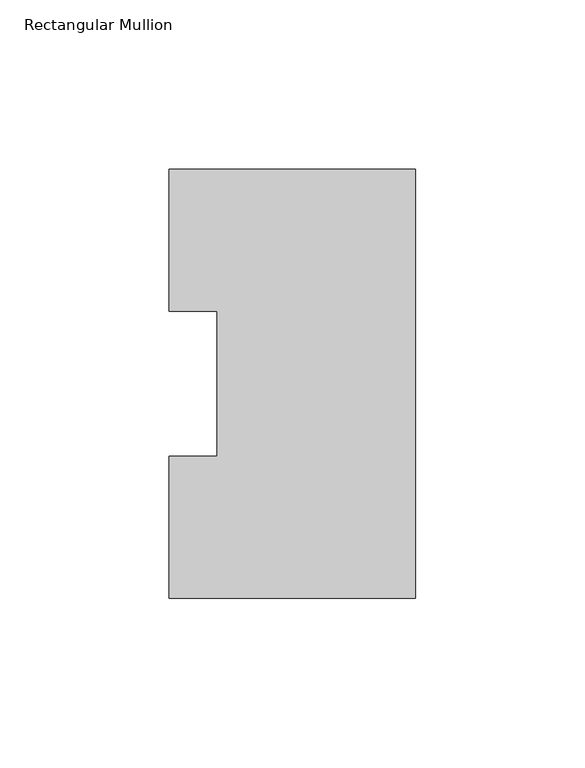
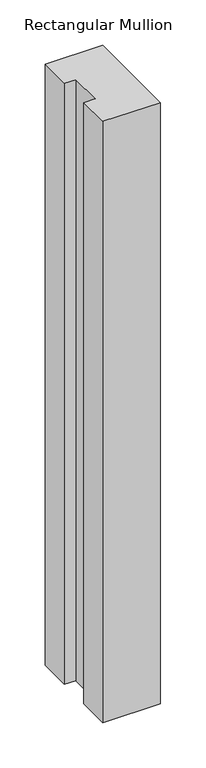
"""IFC4 building model written with IfcOpenShell, lengths in millimetres: member geometry, Rectangular Mullion."""

import ifcopenshell
import ifcopenshell.guid

model = None  # the IFC model being written
_history = None  # IfcOwnerHistory: only IFC2X3 demands one
_inside = {}  # id of a spatial element -> (the spatial element, [elements in it])
_under = {}  # id of a project, library or spatial element -> (it, [spatial elements below it])
_declared = {}  # id of a project -> (the project, [libraries it declares])
_typed = {}  # id of a type object -> (the type object, [elements of that type])
_made_of = {}  # id of a material, layer set ... -> (it, [elements and type objects made of it])


def new_model(schema):
    """Start an empty IFC model of exactly this schema.

    Asked for "IFC4X3", IfcOpenShell would pick the latest addendum, in which some entities
    have other attributes; the version numbers below select the first issue.
    IFC2X3 requires an IfcOwnerHistory on every rooted entity: one is made here for all.
    """
    global model, _history
    if schema == "IFC4X3":
        model = ifcopenshell.file(schema_version=(4, 3, 0, 0))
    else:
        model = ifcopenshell.file(schema=schema)
    _inside.clear()
    _under.clear()
    _declared.clear()
    _typed.clear()
    _made_of.clear()
    _history = None
    if model.schema == "IFC2X3":
        org = make("IfcOrganization", Name="unknown")
        user = make(
            "IfcPersonAndOrganization",
            ThePerson=make("IfcPerson", FamilyName="unknown"),
            TheOrganization=org,
        )
        app = make(
            "IfcApplication",
            ApplicationDeveloper=org,
            Version="unknown",
            ApplicationFullName="unknown",
            ApplicationIdentifier="unknown",
        )
        _history = make(
            "IfcOwnerHistory",
            OwningUser=user,
            OwningApplication=app,
            ChangeAction="ADDED",
            CreationDate=0,
        )
    return model


def make(cls, **values):
    """One entity of the class cls with the attributes given. An attribute that is None is left unset."""
    return model.create_entity(
        cls, **{name: value for name, value in values.items() if value is not None}
    )


def rooted(cls, **values):
    """An entity with a GlobalId (a new one), such as an element, a storey or a relation."""
    return make(cls, GlobalId=ifcopenshell.guid.new(), OwnerHistory=_history, **values)


def si_unit(unit_type, name, prefix=None):
    """IfcSIUnit, for example si_unit("LENGTHUNIT", "METRE", prefix="MILLI")."""
    return make("IfcSIUnit", UnitType=unit_type, Prefix=prefix, Name=name)


def assignment(units):
    """IfcUnitAssignment: the units of a project."""
    return None if units is None else make("IfcUnitAssignment", Units=units)


def point(xyz):
    """IfcCartesianPoint."""
    return None if xyz is None else make("IfcCartesianPoint", Coordinates=xyz)


def direction(xyz):
    """IfcDirection."""
    return None if xyz is None else make("IfcDirection", DirectionRatios=xyz)


def frame(location, z_axis=None, x_axis=None):
    """IfcAxis2Placement3D, a coordinate frame: its origin and axes. An axis left out is left unset."""
    return make(
        "IfcAxis2Placement3D",
        Location=point(location),
        Axis=direction(z_axis),
        RefDirection=direction(x_axis),
    )


def origin():
    """The frame at (0, 0, 0) with its axes left unset."""
    return frame((0.0, 0.0, 0.0))


def place(relative_to, where):
    """IfcLocalPlacement: puts the frame where relative to a parent placement (None: the world)."""
    return make(
        "IfcLocalPlacement", PlacementRelTo=relative_to, RelativePlacement=where
    )


def context(
    kind, dimensions, precision=None, world=None, true_north=None, identifier=None
):
    """IfcGeometricRepresentationContext, for example the 3D "Model" context."""
    return make(
        "IfcGeometricRepresentationContext",
        ContextIdentifier=identifier,
        ContextType=kind,
        CoordinateSpaceDimension=dimensions,
        Precision=precision,
        WorldCoordinateSystem=world,
        TrueNorth=true_north,
    )


def project(units=None, contexts=None):
    """IfcProject with its units and contexts."""
    return rooted(
        "IfcProject",
        Name="project",
        RepresentationContexts=contexts,
        UnitsInContext=assignment(units),
    )


def spatial(cls, under=None, at=None, **own):
    """A site, building, storey or space (cls), placed at a placement, below another one or the project."""
    s = rooted(cls, ObjectPlacement=at, **own)
    if under is not None:
        _under.setdefault(under.id(), (under, []))[1].append(s)
    return s


def polyline(points):
    """IfcPolyline through the points."""
    return make("IfcPolyline", Points=[point(p) for p in points])


def outline(outer, holes=None, kind="AREA"):
    """IfcArbitraryClosedProfileDef: a profile drawn as a closed curve; with holes, ...WithVoids."""
    if holes is None:
        return make("IfcArbitraryClosedProfileDef", ProfileType=kind, OuterCurve=outer)
    return make(
        "IfcArbitraryProfileDefWithVoids",
        ProfileType=kind,
        OuterCurve=outer,
        InnerCurves=holes,
    )


def extrude(swept, where, along, depth):
    """IfcExtrudedAreaSolid: the profile swept, set in the frame where, extruded along a direction by depth."""
    return make(
        "IfcExtrudedAreaSolid",
        SweptArea=swept,
        Position=where,
        ExtrudedDirection=direction(along),
        Depth=depth,
    )


def shape(context_of_items, identifier, shape_type, items):
    """IfcShapeRepresentation: the items that make up one representation, for example the "Body"."""
    return make(
        "IfcShapeRepresentation",
        ContextOfItems=context_of_items,
        RepresentationIdentifier=identifier,
        RepresentationType=shape_type,
        Items=items,
    )


def source(mapping_origin, context_of_items, identifier, shape_type, items):
    """IfcRepresentationMap: a shape defined once, which mapped items show again and again."""
    return make(
        "IfcRepresentationMap",
        MappingOrigin=mapping_origin,
        MappedRepresentation=shape(context_of_items, identifier, shape_type, items),
    )


def transform(
    local_origin,
    x_axis=None,
    y_axis=None,
    z_axis=None,
    scale=None,
    scale2=None,
    scale3=None,
    uniform=True,
):
    """IfcCartesianTransformationOperator3D, or its non-uniform kind. x_axis, y_axis, z_axis: its Axis1, 2, 3."""
    if uniform:
        return make(
            "IfcCartesianTransformationOperator3D",
            Axis1=direction(x_axis),
            Axis2=direction(y_axis),
            LocalOrigin=point(local_origin),
            Scale=scale,
            Axis3=direction(z_axis),
        )
    return make(
        "IfcCartesianTransformationOperator3DnonUniform",
        Axis1=direction(x_axis),
        Axis2=direction(y_axis),
        LocalOrigin=point(local_origin),
        Scale=scale,
        Axis3=direction(z_axis),
        Scale2=scale2,
        Scale3=scale3,
    )


def mapped(mapping_source, mapping_target):
    """IfcMappedItem: shows the shape of a source again, moved by a transform."""
    return make(
        "IfcMappedItem", MappingSource=mapping_source, MappingTarget=mapping_target
    )


def made_of(thing, what):
    """Note that an element or type object is made of a material, layer set ...; save() writes the relation."""
    if what is not None:
        _made_of.setdefault(what.id(), (what, []))[1].append(thing)
    return thing


def element(
    cls,
    number,
    at=None,
    inside=None,
    cuts=None,
    type_object=None,
    material=None,
    context=None,
    identifier="Body",
    shape_type=None,
    held_by="IfcProductDefinitionShape",
    body=None,
    shapes=None,
    **own,
):
    """One element of the class cls, such as IfcWall. Its Tag is "e" and its number.

    at: its placement. inside: the storey or other place that contains it. cuts: it is an
    opening in that element (IfcRelVoidsElement). A single representation is given by context,
    identifier, shape_type and body (its items); several are given by shapes. held_by: the class
    of the entity that holds the representations. save() writes the other relations.
    """
    e = rooted(cls, Tag="e%d" % number, ObjectPlacement=at, **own)
    if body is not None:
        shapes = [shape(context, identifier, shape_type, body)]
    if shapes is not None:
        e.Representation = make(held_by, Representations=shapes)
    if inside is not None:
        _inside.setdefault(inside.id(), (inside, []))[1].append(e)
    if cuts is not None:
        rooted(
            "IfcRelVoidsElement", RelatingBuildingElement=cuts, RelatedOpeningElement=e
        )
    if type_object is not None:
        _typed.setdefault(type_object.id(), (type_object, []))[1].append(e)
    return made_of(e, material)


def aggregate(whole, parts):
    """IfcRelAggregates: a whole, such as a stair, and the parts it consists of."""
    return rooted("IfcRelAggregates", RelatingObject=whole, RelatedObjects=parts)


def save(model, path):
    """Write the relations noted so far, then the file.

    IfcRelAggregates (storeys below a building ...), IfcRelContainedInSpatialStructure (elements
    in a storey), IfcRelDefinesByType, IfcRelAssociatesMaterial and IfcRelDeclares: one each for
    every whole, place, type object, material and project.
    """
    for whole, parts in _under.values():
        aggregate(whole, parts)
    for where, things in _inside.values():
        rooted(
            "IfcRelContainedInSpatialStructure",
            RelatedElements=things,
            RelatingStructure=where,
        )
    for kind, things in _typed.values():
        rooted("IfcRelDefinesByType", RelatedObjects=things, RelatingType=kind)
    for what, things in _made_of.values():
        rooted("IfcRelAssociatesMaterial", RelatedObjects=things, RelatingMaterial=what)
    for by, libraries in _declared.values():
        rooted("IfcRelDeclares", RelatingContext=by, RelatedDefinitions=libraries)
    model.write(path)


def rectangular_mullion_06f930d0(model_context):
    return source(origin(), model_context, "Body", "SweptSolid", [
        extrude(outline(polyline([(0.0, 126.7086937), (0.0, -0.2913063), (-73.025, -0.2913063), (-73.025, 41.7837937), (-58.7375, 41.7837937), (-58.7375, 84.6335938), (-73.025, 84.6335938), (-73.025, 126.7086937), (0.0, 126.7086937)])), frame((0.0, 0.0, -809.6247287), z_axis=(0.0, 0.0, 1.0), x_axis=(1.0, 0.0, 0.0)), (0.0, 0.0, 1.0), 809.6247287),
    ])


if __name__ == "__main__":
    model = new_model("IFC4")
    model_context = context("Model", 3, world=origin())
    ifc_project = project(units=[si_unit("LENGTHUNIT", "METRE", prefix="MILLI")], contexts=[model_context])
    site = spatial("IfcSite", under=ifc_project)
    building = spatial("IfcBuilding", under=site)
    placement = place(None, origin())
    rectangular_mullion_shape = rectangular_mullion_06f930d0(model_context)
    element("IfcMember", 1, ObjectType="Rectangular Mullion", at=placement, inside=building, context=model_context, shape_type="MappedRepresentation", body=[
        mapped(rectangular_mullion_shape, transform((0.0, 0.0, 0.0), x_axis=(1.0, 0.0, 0.0), y_axis=(0.0, 1.0, 0.0), z_axis=(0.0, 0.0, 1.0))),
    ])
    save(model, "model.ifc")
